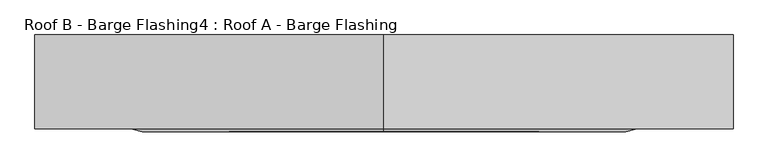
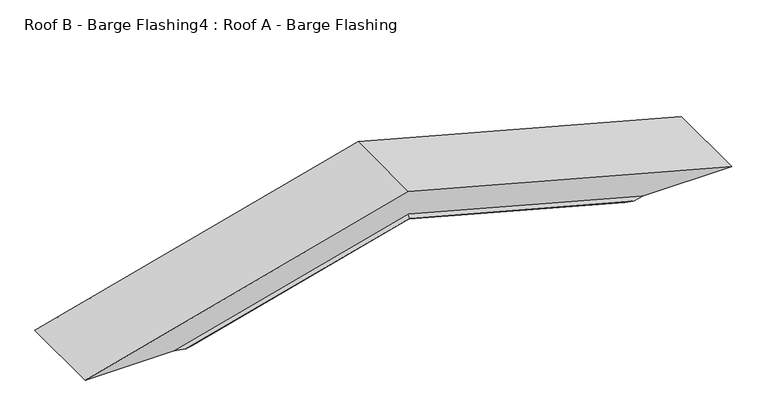
"""IFC4 building model written with IfcOpenShell, lengths in millimetres: proxy geometry, Roof B - Barge Flashing4 : Roof A - Barge Flashing."""

from ifc_helpers import new_model, si_unit, origin, place, context, project, spatial, faceted_brep, source, transform, mapped, element, save


def roof_b_barge_flashing4_roof_a_barge_flashing_57425d94(model_context):
    return source(origin(), model_context, "Body", "Brep", [
        faceted_brep([(15110.4218079, 9416.0064973, 4345.332841), (13442.1333687, 9416.0064973, 4792.349381), (11773.8449296, 9416.0064973, 4345.332841), (11953.5071333, 9416.0064973, 4345.332841), (13442.1333687, 9416.0064973, 4744.2090386), (14930.7596042, 9416.0064973, 4345.332841), (13442.1333687, 9417.0064973, 4744.2090386), (14930.7596042, 9417.0064973, 4345.332841), (11953.5071333, 9417.0064973, 4345.332841), (11769.9812263, 9417.0064973, 4345.332841), (13442.1333687, 9417.0064973, 4793.3846572), (15114.2855112, 9417.0064973, 4345.332841), (13442.1333687, 8966.8718835, 4793.3846572), (15114.2855112, 8966.8718835, 4345.332841), (11769.9812263, 8966.8718835, 4345.332841), (12228.7959938, 8966.8718835, 4345.332841), (13442.1333687, 8966.8718835, 4670.4456108), (14655.4707437, 8966.8718835, 4345.332841), (13442.1333687, 8952.7297479, 4655.8045946), (14600.8297275, 8952.7297479, 4345.332841), (13442.1333687, 8963.3363496, 4644.8238325), (14559.8489654, 8963.3363496, 4345.332841), (13442.1333687, 8964.0434564, 4645.5558833), (14562.5810162, 8964.0434564, 4345.332841), (13442.1333687, 8954.1439615, 4655.8045946), (14600.8297275, 8954.1439615, 4345.332841), (13442.1333687, 8967.8718835, 4670.0167853), (14653.8703454, 8967.8718835, 4345.332841), (12230.3963921, 8967.8718835, 4345.332841), (11773.8449296, 8967.8718835, 4345.332841), (13442.1333687, 8967.8718835, 4792.349381), (15110.4218079, 8967.8718835, 4345.332841), (12283.43701, 8952.7297479, 4345.332841), (12324.4177721, 8963.3363496, 4345.332841), (12321.6857213, 8964.0434564, 4345.332841), (12283.43701, 8954.1439615, 4345.332841)], [[[0, 1, 2, 3, 4, 5]], [[4, 6, 7, 5]], [[7, 6, 8, 9, 10, 11]], [[10, 12, 13, 11]], [[13, 12, 14, 15, 16, 17]], [[16, 18, 19, 17]], [[18, 20, 21, 19]], [[20, 22, 23, 21]], [[22, 24, 25, 23]], [[24, 26, 27, 25]], [[27, 26, 28, 29, 30, 31]], [[30, 1, 0, 31]], [[6, 4, 3, 8]], [[12, 10, 9, 14]], [[18, 16, 15, 32]], [[20, 18, 32, 33]], [[22, 20, 33, 34]], [[24, 22, 34, 35]], [[26, 24, 35, 28]], [[1, 30, 29, 2]], [[0, 5, 7, 11, 13, 17, 19, 21, 23, 25, 27, 31]], [[3, 2, 29, 28, 35, 34, 33, 32, 15, 14, 9, 8]]]),
    ])


if __name__ == "__main__":
    model = new_model("IFC4")
    model_context = context("Model", 3, world=origin())
    ifc_project = project(units=[si_unit("LENGTHUNIT", "METRE", prefix="MILLI")], contexts=[model_context])
    site = spatial("IfcSite", under=ifc_project)
    building = spatial("IfcBuilding", under=site)
    placement = place(None, origin())
    roof_b_barge_flashing4_roof_a_barge_flashing_shape = roof_b_barge_flashing4_roof_a_barge_flashing_57425d94(model_context)
    element("IfcBuildingElementProxy", 1, Name="Roof B - Barge Flashing4 : Roof A - Barge Flashing", ObjectType="Roof B - Barge Flashing4 : Roof A - Barge Flashing", at=placement, inside=building, context=model_context, shape_type="MappedRepresentation", body=[
        mapped(roof_b_barge_flashing4_roof_a_barge_flashing_shape, transform((0.0, 0.0, 0.0), x_axis=(1.0, 0.0, 0.0), y_axis=(0.0, 1.0, 0.0), z_axis=(0.0, 0.0, 1.0))),
    ])
    save(model, "model.ifc")
